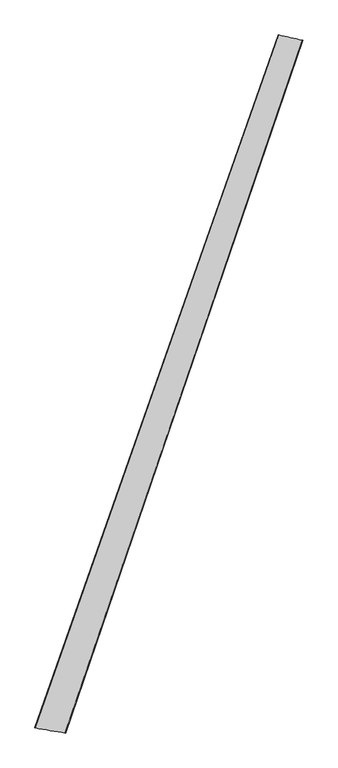
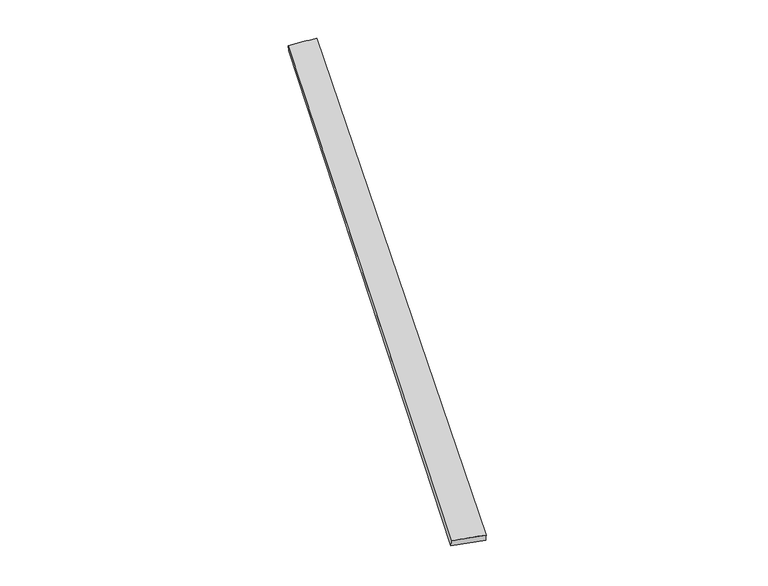
"""IFC4 building model written with IfcOpenShell, lengths in millimetres: proxy geometry."""

from ifc_helpers import new_model, si_unit, origin, place, context, project, spatial, source, transform, mapped, element, save
from ifc_brep_helpers import spline_surface, advanced_brep


def generic_models_6e792f5a(model_context):
    return source(origin(), model_context, "Body", "AdvancedBrep", [
        advanced_brep(
        [(-714.5576751, -1810.2127768, 5.1315305), (-713.5497916, -1810.4826862, 35.1133804), (702.7163123, 2221.2476876, 23.5409842), (705.4158855, 2220.2117547, -6.3193431), (-535.2498604, -1840.5193284, 24.7493939), (844.5531493, 2190.2945955, 36.2397601), (-537.6337334, -1839.6151437, -5.1420698), (846.775523, 2189.6161658, 6.3298823)],
        [
            (0, 1),
            (1, 2),
            (2, 3),
            (3, 0),
            (1, 4),
            (4, 5),
            (5, 2),
            (4, 6),
            (6, 7),
            (7, 5),
            (6, 0),
            (3, 7),
        ],
        [
            spline_surface(1, 1, [[(-714.5576751, -1810.2127768, 5.1315305), (705.4158855, 2220.2117547, -6.3193431)], [(-713.5497916, -1810.4826862, 35.1133804), (702.7163123, 2221.2476876, 23.5409842)]], [2, 2], [2, 2], [0.0, 1.0], [0.0, 1.0]),
            spline_surface(1, 1, [[(-713.5497916, -1810.4826862, 35.1133804), (702.7163123, 2221.2476876, 23.5409842)], [(-535.2498604, -1840.5193284, 24.7493939), (844.5531493, 2190.2945955, 36.2397601)]], [2, 2], [2, 2], [0.0, 1.0], [0.0, 1.0]),
            spline_surface(1, 1, [[(-535.2498604, -1840.5193284, 24.7493939), (844.5531493, 2190.2945955, 36.2397601)], [(-537.6337334, -1839.6151437, -5.1420698), (846.775523, 2189.6161658, 6.3298823)]], [2, 2], [2, 2], [0.0, 1.0], [0.0, 1.0]),
            spline_surface(1, 1, [[(-537.6337334, -1839.6151437, -5.1420698), (846.775523, 2189.6161658, 6.3298823)], [(-714.5576751, -1810.2127768, 5.1315305), (705.4158855, 2220.2117547, -6.3193431)]], [2, 2], [2, 2], [0.0, 1.0], [0.0, 1.0]),
            spline_surface(1, 1, [[(702.7163123, 2221.2476876, 23.5409842), (705.4158855, 2220.2117547, -6.3193431)], [(844.5531493, 2190.2945955, 36.2397601), (846.775523, 2189.6161658, 6.3298823)]], [2, 2], [2, 2], [0.0, 1.0], [0.0, 1.0]),
            spline_surface(1, 1, [[(-537.6337334, -1839.6151437, -5.1420698), (-714.5576751, -1810.2127768, 5.1315305)], [(-535.2498604, -1840.5193284, 24.7493939), (-713.5497916, -1810.4826862, 35.1133804)]], [2, 2], [2, 2], [0.0, 1.0], [0.0, 1.0]),
        ],
        [
            (0, [[1, 2, 3, 4]]),
            (1, [[5, 6, 7, -2]]),
            (2, [[8, 9, 10, -6]]),
            (3, [[11, -4, 12, -9]]),
            (4, [[-3, -7, -10, -12]]),
            (5, [[-11, -8, -5, -1]]),
        ],
    ),
    ])


if __name__ == "__main__":
    model = new_model("IFC4")
    model_context = context("Model", 3, world=origin())
    ifc_project = project(units=[si_unit("LENGTHUNIT", "METRE", prefix="MILLI")], contexts=[model_context])
    site = spatial("IfcSite", under=ifc_project)
    building = spatial("IfcBuilding", under=site)
    placement = place(None, origin())
    generic_models_shape = generic_models_6e792f5a(model_context)
    element("IfcBuildingElementProxy", 1, Name="Generic Models", at=placement, inside=building, context=model_context, shape_type="MappedRepresentation", body=[
        mapped(generic_models_shape, transform((0.0, 0.0, 0.0), x_axis=(1.0, 0.0, 0.0), y_axis=(0.0, 1.0, 0.0), z_axis=(0.0, 0.0, 1.0))),
    ])
    save(model, "model.ifc")
